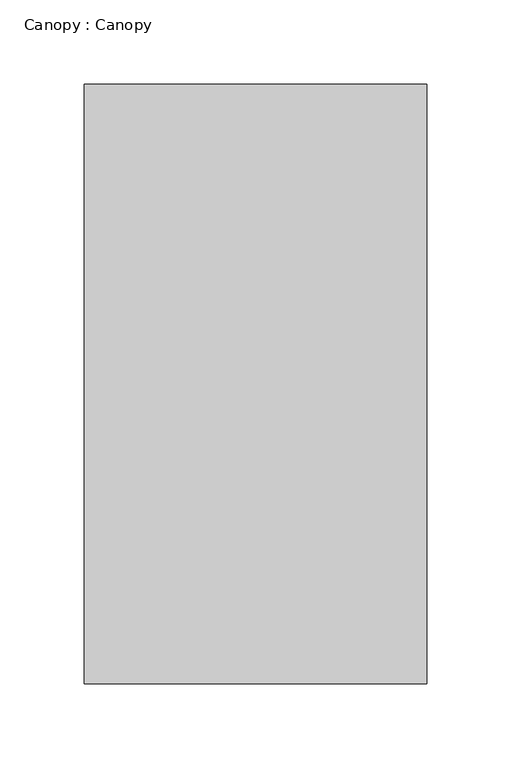
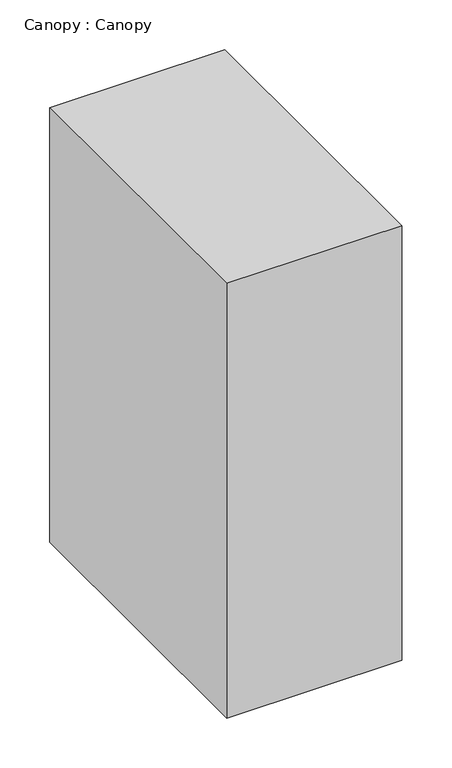
"""IFC4 building model written with IfcOpenShell, lengths in millimetres: proxy geometry, Canopy : Canopy."""

from ifc_helpers import new_model, si_unit, frame, origin, place, context, project, spatial, polyline, outline, extrude, source, transform, mapped, element, save


def canopy_canopy_d6605cf2(model_context):
    return source(origin(), model_context, "Body", "SweptSolid", [
        extrude(outline(polyline([(227064.0728488, 156064.7096581), (227064.0728488, 155709.1096581), (226860.8728488, 155709.1096581), (226860.8728488, 156064.7096581), (227064.0728488, 156064.7096581)])), frame((0.0, 0.0, 3259.5256627), z_axis=(0.0, 0.0, 1.0), x_axis=(1.0, 0.0, 0.0)), (0.0, 0.0, 1.0), 533.4),
    ])


if __name__ == "__main__":
    model = new_model("IFC4")
    model_context = context("Model", 3, world=origin())
    ifc_project = project(units=[si_unit("LENGTHUNIT", "METRE", prefix="MILLI")], contexts=[model_context])
    site = spatial("IfcSite", under=ifc_project)
    building = spatial("IfcBuilding", under=site)
    placement = place(None, origin())
    canopy_canopy_shape = canopy_canopy_d6605cf2(model_context)
    element("IfcBuildingElementProxy", 1, Name="Canopy : Canopy", ObjectType="Canopy : Canopy", at=placement, inside=building, context=model_context, shape_type="MappedRepresentation", body=[
        mapped(canopy_canopy_shape, transform((0.0, 0.0, 0.0), x_axis=(1.0, 0.0, 0.0), y_axis=(0.0, 1.0, 0.0), z_axis=(0.0, 0.0, 1.0))),
    ])
    save(model, "model.ifc")
